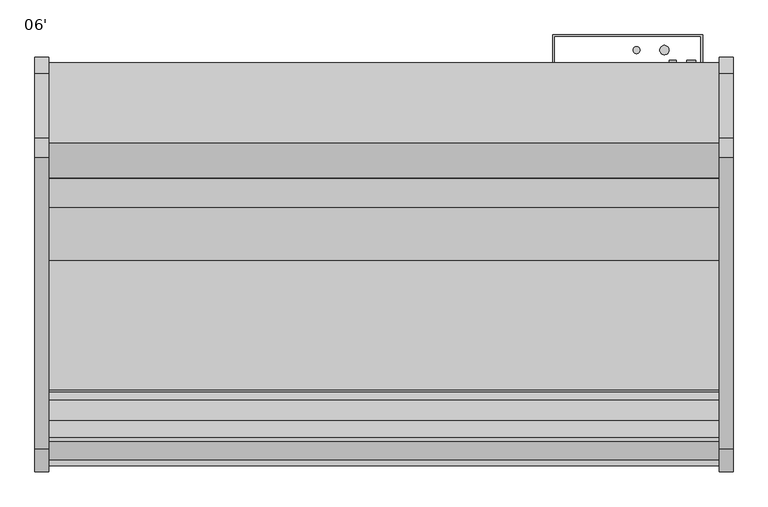
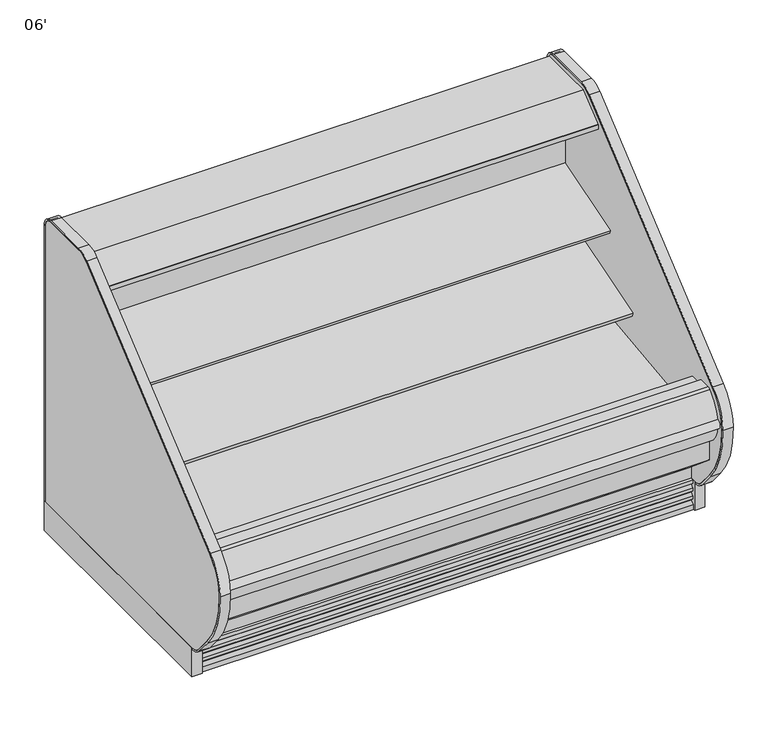
"""IFC4 building model written with IfcOpenShell, lengths in millimetres: proxy geometry, 06'."""

import ifcopenshell
import ifcopenshell.guid

model = None  # the IFC model being written
_history = None  # IfcOwnerHistory: only IFC2X3 demands one
_inside = {}  # id of a spatial element -> (the spatial element, [elements in it])
_under = {}  # id of a project, library or spatial element -> (it, [spatial elements below it])
_declared = {}  # id of a project -> (the project, [libraries it declares])
_typed = {}  # id of a type object -> (the type object, [elements of that type])
_made_of = {}  # id of a material, layer set ... -> (it, [elements and type objects made of it])


def new_model(schema):
    """Start an empty IFC model of exactly this schema.

    Asked for "IFC4X3", IfcOpenShell would pick the latest addendum, in which some entities
    have other attributes; the version numbers below select the first issue.
    IFC2X3 requires an IfcOwnerHistory on every rooted entity: one is made here for all.
    """
    global model, _history
    if schema == "IFC4X3":
        model = ifcopenshell.file(schema_version=(4, 3, 0, 0))
    else:
        model = ifcopenshell.file(schema=schema)
    _inside.clear()
    _under.clear()
    _declared.clear()
    _typed.clear()
    _made_of.clear()
    _history = None
    if model.schema == "IFC2X3":
        org = make("IfcOrganization", Name="unknown")
        user = make(
            "IfcPersonAndOrganization",
            ThePerson=make("IfcPerson", FamilyName="unknown"),
            TheOrganization=org,
        )
        app = make(
            "IfcApplication",
            ApplicationDeveloper=org,
            Version="unknown",
            ApplicationFullName="unknown",
            ApplicationIdentifier="unknown",
        )
        _history = make(
            "IfcOwnerHistory",
            OwningUser=user,
            OwningApplication=app,
            ChangeAction="ADDED",
            CreationDate=0,
        )
    return model


def make(cls, **values):
    """One entity of the class cls with the attributes given. An attribute that is None is left unset."""
    return model.create_entity(
        cls, **{name: value for name, value in values.items() if value is not None}
    )


def rooted(cls, **values):
    """An entity with a GlobalId (a new one), such as an element, a storey or a relation."""
    return make(cls, GlobalId=ifcopenshell.guid.new(), OwnerHistory=_history, **values)


def si_unit(unit_type, name, prefix=None):
    """IfcSIUnit, for example si_unit("LENGTHUNIT", "METRE", prefix="MILLI")."""
    return make("IfcSIUnit", UnitType=unit_type, Prefix=prefix, Name=name)


def assignment(units):
    """IfcUnitAssignment: the units of a project."""
    return None if units is None else make("IfcUnitAssignment", Units=units)


def point(xyz):
    """IfcCartesianPoint."""
    return None if xyz is None else make("IfcCartesianPoint", Coordinates=xyz)


def direction(xyz):
    """IfcDirection."""
    return None if xyz is None else make("IfcDirection", DirectionRatios=xyz)


def frame(location, z_axis=None, x_axis=None):
    """IfcAxis2Placement3D, a coordinate frame: its origin and axes. An axis left out is left unset."""
    return make(
        "IfcAxis2Placement3D",
        Location=point(location),
        Axis=direction(z_axis),
        RefDirection=direction(x_axis),
    )


def frame_2d(location, x_axis=None):
    """IfcAxis2Placement2D, a coordinate frame in the plane: its origin and x axis."""
    return make(
        "IfcAxis2Placement2D", Location=point(location), RefDirection=direction(x_axis)
    )


def origin():
    """The frame at (0, 0, 0) with its axes left unset."""
    return frame((0.0, 0.0, 0.0))


def origin_with_axes():
    """The frame at (0, 0, 0) with the z axis (0, 0, 1) and the x axis (1, 0, 0) written out."""
    return frame((0.0, 0.0, 0.0), z_axis=(0.0, 0.0, 1.0), x_axis=(1.0, 0.0, 0.0))


def place(relative_to, where):
    """IfcLocalPlacement: puts the frame where relative to a parent placement (None: the world)."""
    return make(
        "IfcLocalPlacement", PlacementRelTo=relative_to, RelativePlacement=where
    )


def context(
    kind, dimensions, precision=None, world=None, true_north=None, identifier=None
):
    """IfcGeometricRepresentationContext, for example the 3D "Model" context."""
    return make(
        "IfcGeometricRepresentationContext",
        ContextIdentifier=identifier,
        ContextType=kind,
        CoordinateSpaceDimension=dimensions,
        Precision=precision,
        WorldCoordinateSystem=world,
        TrueNorth=true_north,
    )


def project(units=None, contexts=None):
    """IfcProject with its units and contexts."""
    return rooted(
        "IfcProject",
        Name="project",
        RepresentationContexts=contexts,
        UnitsInContext=assignment(units),
    )


def spatial(cls, under=None, at=None, **own):
    """A site, building, storey or space (cls), placed at a placement, below another one or the project."""
    s = rooted(cls, ObjectPlacement=at, **own)
    if under is not None:
        _under.setdefault(under.id(), (under, []))[1].append(s)
    return s


def polyline(points):
    """IfcPolyline through the points."""
    return make("IfcPolyline", Points=[point(p) for p in points])


def circle_curve(where, radius):
    """IfcCircle in the frame where."""
    return make("IfcCircle", Position=where, Radius=radius)


def trimmed(basis, trim1, trim2, sense, master):
    """IfcTrimmedCurve: the piece of a basis curve between two trims."""
    return make(
        "IfcTrimmedCurve",
        BasisCurve=basis,
        Trim1=trim1,
        Trim2=trim2,
        SenseAgreement=sense,
        MasterRepresentation=master,
    )


def segment(curve, same_sense, transition):
    """IfcCompositeCurveSegment."""
    return make(
        "IfcCompositeCurveSegment",
        Transition=transition,
        SameSense=same_sense,
        ParentCurve=curve,
    )


def composite_curve(segments, self_intersect=None):
    """IfcCompositeCurve: segments joined end to end."""
    return make("IfcCompositeCurve", Segments=segments, SelfIntersect=self_intersect)


def outline(outer, holes=None, kind="AREA"):
    """IfcArbitraryClosedProfileDef: a profile drawn as a closed curve; with holes, ...WithVoids."""
    if holes is None:
        return make("IfcArbitraryClosedProfileDef", ProfileType=kind, OuterCurve=outer)
    return make(
        "IfcArbitraryProfileDefWithVoids",
        ProfileType=kind,
        OuterCurve=outer,
        InnerCurves=holes,
    )


def extrude(swept, where, along, depth):
    """IfcExtrudedAreaSolid: the profile swept, set in the frame where, extruded along a direction by depth."""
    return make(
        "IfcExtrudedAreaSolid",
        SweptArea=swept,
        Position=where,
        ExtrudedDirection=direction(along),
        Depth=depth,
    )


def shape(context_of_items, identifier, shape_type, items):
    """IfcShapeRepresentation: the items that make up one representation, for example the "Body"."""
    return make(
        "IfcShapeRepresentation",
        ContextOfItems=context_of_items,
        RepresentationIdentifier=identifier,
        RepresentationType=shape_type,
        Items=items,
    )


def source(mapping_origin, context_of_items, identifier, shape_type, items):
    """IfcRepresentationMap: a shape defined once, which mapped items show again and again."""
    return make(
        "IfcRepresentationMap",
        MappingOrigin=mapping_origin,
        MappedRepresentation=shape(context_of_items, identifier, shape_type, items),
    )


def transform(
    local_origin,
    x_axis=None,
    y_axis=None,
    z_axis=None,
    scale=None,
    scale2=None,
    scale3=None,
    uniform=True,
):
    """IfcCartesianTransformationOperator3D, or its non-uniform kind. x_axis, y_axis, z_axis: its Axis1, 2, 3."""
    if uniform:
        return make(
            "IfcCartesianTransformationOperator3D",
            Axis1=direction(x_axis),
            Axis2=direction(y_axis),
            LocalOrigin=point(local_origin),
            Scale=scale,
            Axis3=direction(z_axis),
        )
    return make(
        "IfcCartesianTransformationOperator3DnonUniform",
        Axis1=direction(x_axis),
        Axis2=direction(y_axis),
        LocalOrigin=point(local_origin),
        Scale=scale,
        Axis3=direction(z_axis),
        Scale2=scale2,
        Scale3=scale3,
    )


def mapped(mapping_source, mapping_target):
    """IfcMappedItem: shows the shape of a source again, moved by a transform."""
    return make(
        "IfcMappedItem", MappingSource=mapping_source, MappingTarget=mapping_target
    )


def made_of(thing, what):
    """Note that an element or type object is made of a material, layer set ...; save() writes the relation."""
    if what is not None:
        _made_of.setdefault(what.id(), (what, []))[1].append(thing)
    return thing


def element(
    cls,
    number,
    at=None,
    inside=None,
    cuts=None,
    type_object=None,
    material=None,
    context=None,
    identifier="Body",
    shape_type=None,
    held_by="IfcProductDefinitionShape",
    body=None,
    shapes=None,
    **own,
):
    """One element of the class cls, such as IfcWall. Its Tag is "e" and its number.

    at: its placement. inside: the storey or other place that contains it. cuts: it is an
    opening in that element (IfcRelVoidsElement). A single representation is given by context,
    identifier, shape_type and body (its items); several are given by shapes. held_by: the class
    of the entity that holds the representations. save() writes the other relations.
    """
    e = rooted(cls, Tag="e%d" % number, ObjectPlacement=at, **own)
    if body is not None:
        shapes = [shape(context, identifier, shape_type, body)]
    if shapes is not None:
        e.Representation = make(held_by, Representations=shapes)
    if inside is not None:
        _inside.setdefault(inside.id(), (inside, []))[1].append(e)
    if cuts is not None:
        rooted(
            "IfcRelVoidsElement", RelatingBuildingElement=cuts, RelatedOpeningElement=e
        )
    if type_object is not None:
        _typed.setdefault(type_object.id(), (type_object, []))[1].append(e)
    return made_of(e, material)


def aggregate(whole, parts):
    """IfcRelAggregates: a whole, such as a stair, and the parts it consists of."""
    return rooted("IfcRelAggregates", RelatingObject=whole, RelatedObjects=parts)


def save(model, path):
    """Write the relations noted so far, then the file.

    IfcRelAggregates (storeys below a building ...), IfcRelContainedInSpatialStructure (elements
    in a storey), IfcRelDefinesByType, IfcRelAssociatesMaterial and IfcRelDeclares: one each for
    every whole, place, type object, material and project.
    """
    for whole, parts in _under.values():
        aggregate(whole, parts)
    for where, things in _inside.values():
        rooted(
            "IfcRelContainedInSpatialStructure",
            RelatedElements=things,
            RelatingStructure=where,
        )
    for kind, things in _typed.values():
        rooted("IfcRelDefinesByType", RelatedObjects=things, RelatingType=kind)
    for what, things in _made_of.values():
        rooted("IfcRelAssociatesMaterial", RelatedObjects=things, RelatingMaterial=what)
    for by, libraries in _declared.values():
        rooted("IfcRelDeclares", RelatingContext=by, RelatedDefinitions=libraries)
    model.write(path)


def plane_surface(at):
    """IfcPlane: the flat surface through the origin of the frame at, square to its z axis."""
    return make("IfcPlane", Position=at)


def cylinder_surface(at, radius):
    """IfcCylindricalSurface: all points at the distance radius from the z axis of the frame at."""
    return make("IfcCylindricalSurface", Position=at, Radius=radius)


def revolved_surface(curve, axis_point, axis_direction):
    """IfcSurfaceOfRevolution: the curve turned about the line through axis_point along axis_direction."""
    return make(
        "IfcSurfaceOfRevolution",
        SweptCurve=make("IfcArbitraryOpenProfileDef", ProfileType="CURVE", Curve=curve),
        AxisPosition=make("IfcAxis1Placement", Location=point(axis_point), Axis=direction(axis_direction)),
    )


def advanced_brep(points, edges, surfaces, faces):
    """IfcAdvancedBrep: a solid bounded by faces that lie on surfaces and meet in shared edges.

    An edge is (start, end): straight between two places in points (the first is 0);
    or (start, end, curve); or (start, end, curve, False) where it runs against its curve.
    A face is (place in surfaces, loops), or (place, loops, False) where it looks against
    its surface's normal. A loop lists edges by number (the first is 1), with a minus sign
    where the edge is run from its end to its start. The first loop is the outer one.
    """
    corners = [point(p) for p in points]
    vertices = [make("IfcVertexPoint", VertexGeometry=c) for c in corners]
    made = []
    for start, end, *more in edges:
        made.append(
            make(
                "IfcEdgeCurve",
                EdgeStart=vertices[start],
                EdgeEnd=vertices[end],
                EdgeGeometry=more[0] if more else make("IfcPolyline", Points=[corners[start], corners[end]]),
                SameSense=more[1] if len(more) > 1 else True,
            )
        )
    hull = []
    for where, loops, *sense in faces:
        bounds = []
        for j, loop in enumerate(loops):
            ring = [make("IfcOrientedEdge", EdgeElement=made[abs(k) - 1], Orientation=k > 0) for k in loop]
            bounds.append(
                make(
                    "IfcFaceOuterBound" if j == 0 else "IfcFaceBound",
                    Bound=make("IfcEdgeLoop", EdgeList=ring),
                    Orientation=True,
                )
            )
        hull.append(make("IfcAdvancedFace", Bounds=bounds, FaceSurface=surfaces[where], SameSense=sense[0] if sense else True))
    return make("IfcAdvancedBrep", Outer=make("IfcClosedShell", CfsFaces=hull))


def proxy_06_17538bcb(model_context):
    return source(origin(), model_context, "Body", "SolidModel", [
        extrude(outline(composite_curve([segment(trimmed(circle_curve(frame_2d((1581.0252137, -1128.5839273)), 9.525), [point((1571.5002137, -1128.5839273))], [point((1590.5502137, -1128.5839273))], False, "CARTESIAN"), True, "CONTINUOUS"), segment(trimmed(circle_curve(frame_2d((1581.0252137, -1128.5839273)), 9.525), [point((1590.5502137, -1128.5839273))], [point((1571.5002137, -1128.5839273))], False, "CARTESIAN"), True, "CONTINUOUS")], self_intersect=False)), frame((0.0, 0.0, 68.5310382), z_axis=(0.0, 0.0, 1.0), x_axis=(1.0, 0.0, 0.0)), (0.0, 0.0, 1.0), 52.7807458),
        extrude(outline(composite_curve([segment(trimmed(circle_curve(frame_2d((1630.679026, -1128.5839273)), 12.7), [point((1617.979026, -1128.5839273))], [point((1643.379026, -1128.5839273))], False, "CARTESIAN"), True, "CONTINUOUS"), segment(trimmed(circle_curve(frame_2d((1630.679026, -1128.5839273)), 12.7), [point((1643.379026, -1128.5839273))], [point((1617.979026, -1128.5839273))], False, "CARTESIAN"), True, "CONTINUOUS")], self_intersect=False)), frame((0.0, 0.0, 68.5310382), z_axis=(0.0, 0.0, 1.0), x_axis=(1.0, 0.0, 0.0)), (0.0, 0.0, 1.0), 52.7807458),
        extrude(outline(composite_curve([segment(polyline([(-514.5184043, 1137.9230838), (-504.8108903, 1140.9213787), (-504.5441858, 1140.0578752), (-503.4770145, 1140.0578752), (-503.4770145, 1046.2935435), (-528.7722287, 1042.7407473)]), True, "CONTINUOUS"), segment(trimmed(circle_curve(frame_2d((-528.9121117, 1044.3144225)), 1.57988), [point((-528.7722287, 1042.7407473))], [point((-530.4766164, 1044.0945457))], False, "CARTESIAN"), True, "CONTINUOUS"), segment(polyline([(-530.4766164, 1044.0945457), (-531.3614261, 1050.3902938), (-530.5766584, 1050.5005857), (-529.5822638, 1043.4251005), (-506.0015054, 1046.73916), (-520.0975442, 1147.0376871), (-542.8581255, 1144.0153314)]), True, "CONTINUOUS"), segment(trimmed(circle_curve(frame_2d((-542.7544773, 1143.234783)), 0.7874), [point((-542.8581255, 1144.0153314))], [point((-543.5350257, 1143.1311347))], True, "CARTESIAN"), True, "CONTINUOUS"), segment(polyline([(-543.5350257, 1143.1311347), (-542.5119167, 1135.4263646), (-543.2924653, 1135.3227184), (-544.3155741, 1143.0274865)]), True, "CONTINUOUS"), segment(trimmed(circle_curve(frame_2d((-542.7544773, 1143.234783)), 1.5748), [point((-544.3155741, 1143.0274865))], [point((-542.9617738, 1144.7958798))], False, "CARTESIAN"), True, "CONTINUOUS"), segment(polyline([(-542.9617738, 1144.7958798), (-518.9973626, 1147.9780909)]), True, "CONTINUOUS"), segment(trimmed(circle_curve(frame_2d((-518.7900661, 1146.4169941)), 1.5748), [point((-518.9973626, 1147.9780909))], [point((-517.2854014, 1146.8817298))], False, "CARTESIAN"), True, "CONTINUOUS"), segment(polyline([(-517.2854014, 1146.8817298), (-514.5184043, 1137.9230838)]), True, "CONTINUOUS")], self_intersect=False)), frame((0.0, 0.0, 0.0), z_axis=(1.0, 0.0, 0.0), x_axis=(0.0, 1.0, 0.0)), (0.0, 0.0, 1.0), 1828.8),
        extrude(outline(polyline([(-401.5419232, 1219.2), (-401.5419232, 1172.7720648), (-452.3089273, 1172.7720648), (-452.3089273, 1140.0578752), (-504.5441858, 1140.0578752), (-506.6234348, 1146.7898143), (-511.417881, 1145.3089857), (-535.4879211, 1173.9945425), (-642.2562389, 1173.9945425), (-643.0944389, 1173.1563425), (-643.0944389, 1162.0311425), (-643.6525285, 1160.8523324), (-688.2903714, 1124.2763324), (-689.2562818, 1123.9311425), (-700.752905, 1123.9311425), (-700.752905, 1121.9993669), (-715.8339273, 1121.9993669), (-715.8339273, 1140.2683169), (-715.2407658, 1141.5119059), (-619.3039593, 1219.2), (-401.5419232, 1219.2)])), frame((0.0, 0.0, 0.0), z_axis=(1.0, 0.0, 0.0), x_axis=(0.0, 1.0, 0.0)), (0.0, 0.0, 1.0), 1828.8),
        extrude(outline(composite_curve([segment(polyline([(-506.0015054, 1046.73916), (-529.5822638, 1043.4251005), (-530.5766584, 1050.5005857), (-542.5070926, 1135.3900359), (-543.5350257, 1143.1311347)]), True, "CONTINUOUS"), segment(trimmed(circle_curve(frame_2d((-542.7544773, 1143.234783)), 0.7874), [point((-543.5350257, 1143.1311347))], [point((-542.8581255, 1144.0153314))], False, "CARTESIAN"), True, "CONTINUOUS"), segment(polyline([(-542.8581255, 1144.0153314), (-520.0975442, 1147.0376871), (-506.0015054, 1046.73916)]), True, "CONTINUOUS")], self_intersect=False)), frame((0.0, 0.0, 0.0), z_axis=(1.0, 0.0, 0.0), x_axis=(0.0, 1.0, 0.0)), (0.0, 0.0, 1.0), 1828.8),
        extrude(outline(composite_curve([segment(trimmed(circle_curve(frame_2d((-587.0366389, 1151.3155175)), 14.2875), [point((-601.3241389, 1151.3155175))], [point((-572.7491389, 1151.3155175))], False, "CARTESIAN"), True, "CONTINUOUS"), segment(trimmed(circle_curve(frame_2d((-587.0366389, 1151.3155175)), 14.2875), [point((-572.7491389, 1151.3155175))], [point((-601.3241389, 1151.3155175))], False, "CARTESIAN"), True, "CONTINUOUS")], self_intersect=False)), frame((0.0, 0.0, 0.0), z_axis=(1.0, 0.0, 0.0), x_axis=(0.0, 1.0, 0.0)), (0.0, 0.0, 1.0), 1828.8),
        extrude(outline(composite_curve([segment(trimmed(circle_curve(frame_2d((-624.4254389, 1151.3155175)), 14.2875), [point((-638.7129389, 1151.3155175))], [point((-610.1379389, 1151.3155175))], False, "CARTESIAN"), True, "CONTINUOUS"), segment(trimmed(circle_curve(frame_2d((-624.4254389, 1151.3155175)), 14.2875), [point((-610.1379389, 1151.3155175))], [point((-638.7129389, 1151.3155175))], False, "CARTESIAN"), True, "CONTINUOUS")], self_intersect=False)), frame((0.0, 0.0, 0.0), z_axis=(1.0, 0.0, 0.0), x_axis=(0.0, 1.0, 0.0)), (0.0, 0.0, 1.0), 1828.8),
        extrude(outline(polyline([(1778.1852968, -401.5089273), (1778.1852968, -328.4839273), (1378.294795, -328.4839273), (1378.294795, -401.5089273), (1374.3108738, -401.5089273), (1374.3108738, -325.3089273), (1784.35, -325.3089273), (1784.35, -401.5089273), (1778.1852968, -401.5089273)])), frame((0.0, 0.0, 183.281282), z_axis=(0.0, 0.0, 1.0), x_axis=(1.0, 0.0, 0.0)), (0.0, 0.0, 1.0), 925.9383854),
        advanced_brep(
        [(0.0, -401.5089273, 1172.7720648), (0.0, -401.5089273, 130.175), (0.0, -1280.7758002, 130.175), (0.0, -1430.5207837, 255.8259604), (0.0, -1430.5207837, 390.4771975), (0.0, -1379.5124455, 390.4771975), (0.0, -1379.5124455, 334.3739209), (0.0, -1221.964683, 189.2843753), (0.0, -1163.9200968, 157.108203), (0.0, -1097.1040899, 157.108203), (0.0, -1043.9921866, 195.6902403), (0.0, -599.382701, 211.674682), (0.0, -452.3089273, 350.7638053), (0.0, -452.3089273, 1172.7720648), (1828.8, -401.5089273, 1172.7720648), (1828.8, -452.3089273, 1172.7720648), (1828.8, -452.3089273, 350.7638053), (1828.8, -599.382701, 211.674682), (1828.8, -1043.9921866, 195.6902403), (1828.8, -1097.1040899, 157.108203), (1828.8, -1163.9200968, 157.108203), (1828.8, -1221.964683, 189.2843753), (1828.8, -1379.5124455, 334.3739209), (1828.8, -1379.5124455, 390.4771975), (1828.8, -1430.5207837, 390.4771975), (1828.8, -1430.5207837, 255.8259604), (1828.8, -1280.7758002, 130.175), (1828.8, -401.5089273, 130.175), (1727.2, -401.5089273, 417.7254285), (1727.2, -401.5089273, 316.1254285), (1727.2, -446.7209273, 316.1254285), (1727.2, -446.7209273, 417.7254285)],
        [
            (0, 1),
            (1, 2),
            (2, 3),
            (3, 4),
            (4, 5),
            (5, 6),
            (6, 7, circle_curve(frame((0.0, -1227.2834533, 341.5915343), z_axis=(1.0, 0.0, 0.0), x_axis=(0.0, 1.0, 0.0)), 152.4)),
            (7, 8),
            (8, 9),
            (9, 10),
            (10, 11),
            (11, 12, circle_curve(frame((0.0, -604.8944357, 364.8057873), z_axis=(1.0, 0.0, 0.0), x_axis=(0.0, 1.0, 0.0)), 153.2302667)),
            (12, 13),
            (13, 0),
            (14, 15),
            (15, 16),
            (16, 17, circle_curve(frame((1828.8, -604.8944357, 364.8057873), z_axis=(-1.0, 0.0, 0.0), x_axis=(0.0, 1.0, 0.0)), 153.2302667)),
            (17, 18),
            (18, 19),
            (19, 20),
            (20, 21),
            (21, 22, circle_curve(frame((1828.8, -1227.2834533, 341.5915343), z_axis=(-1.0, 0.0, 0.0), x_axis=(0.0, 1.0, 0.0)), 152.4)),
            (22, 23),
            (23, 24),
            (24, 25),
            (25, 26),
            (26, 27),
            (27, 14),
            (13, 15),
            (14, 0),
            (12, 16),
            (5, 23),
            (22, 6),
            (4, 24),
            (3, 25),
            (2, 26),
            (1, 27),
            (28, 29, circle_curve(frame((1727.2, -401.5089273, 366.9254285), z_axis=(0.0, -1.0, 0.0), x_axis=(0.0, 0.0, 1.0)), 50.8)),
            (29, 28, circle_curve(frame((1727.2, -401.5089273, 366.9254285), z_axis=(0.0, -1.0, 0.0), x_axis=(0.0, 0.0, 1.0)), 50.8)),
            (11, 17),
            (10, 18),
            (9, 19),
            (8, 20),
            (7, 21),
            (30, 31, circle_curve(frame((1727.2, -446.7209273, 366.9254285), z_axis=(0.0, 1.0, 0.0), x_axis=(0.0, 0.0, 1.0)), 50.8)),
            (31, 30, circle_curve(frame((1727.2, -446.7209273, 366.9254285), z_axis=(0.0, 1.0, 0.0), x_axis=(0.0, 0.0, 1.0)), 50.8)),
            (30, 29),
            (28, 31),
        ],
        [
            plane_surface(frame((0.0, -452.3089273, 1172.7720648), z_axis=(-1.0, 0.0, 0.0), x_axis=(0.0, 1.0, 0.0))),
            plane_surface(frame((1828.8, -452.3089273, 1172.7720648), z_axis=(1.0, 0.0, 0.0), x_axis=(0.0, -1.0, 0.0))),
            plane_surface(frame((1828.8, -401.5089273, 1172.7720648), z_axis=(0.0, 0.0, 1.0), x_axis=(-1.0, 0.0, 0.0))),
            plane_surface(frame((1828.8, -452.3089273, 1172.7720648), z_axis=(0.0, -1.0, 0.0), x_axis=(-1.0, 0.0, 0.0))),
            plane_surface(frame((1828.8, -1379.5124455, 334.3739209), z_axis=(0.0, 1.0, 0.0), x_axis=(-1.0, 0.0, 0.0))),
            plane_surface(frame((1828.8, -1379.5124455, 390.4771975), z_axis=(0.0, 0.0, 1.0), x_axis=(-1.0, 0.0, 0.0))),
            plane_surface(frame((1828.8, -1430.5207837, 390.4771975), z_axis=(0.0, -1.0, 0.0), x_axis=(-1.0, 0.0, 0.0))),
            plane_surface(frame((1828.8, -1430.5207837, 255.8259604), z_axis=(0.0, -0.6427876096870797, -0.7660444431185247), x_axis=(-1.0, 0.0, 0.0))),
            plane_surface(frame((1828.8, -1280.7758002, 130.175), z_axis=(0.0, 0.0, -1.0), x_axis=(-1.0, 0.0, 0.0))),
            plane_surface(frame((1828.8, -401.5089273, 130.175), z_axis=(0.0, 1.0, 0.0), x_axis=(-1.0, 0.0, 0.0))),
            revolved_surface(polyline([(0.0, -451.664169, 364.8057873), (1828.8, -451.664169, 364.8057873)]), (0.0, -604.8944357, 364.8057873), (-1.0, 0.0, 0.0)),
            plane_surface(frame((1828.8, -599.382701, 211.674682), z_axis=(0.0, -0.03592843195619589, 0.9993543654666092), x_axis=(-1.0, 0.0, 0.0))),
            plane_surface(frame((1828.8, -1043.9921866, 195.6902403), z_axis=(0.0, -0.5877252382161418, 0.8090605937528904), x_axis=(-1.0, 0.0, 0.0))),
            plane_surface(frame((1828.8, -1097.1040899, 157.108203), z_axis=(0.0, 0.0, 1.0), x_axis=(-1.0, 0.0, 0.0))),
            plane_surface(frame((1828.8, -1163.9200968, 157.108203), z_axis=(0.0, 0.4848272875913505, 0.8746099137368694), x_axis=(-1.0, 0.0, 0.0))),
            revolved_surface(polyline([(0.0, -1074.8834533, 341.5915343), (1828.8, -1074.8834533, 341.5915343)]), (0.0, -1227.2834533, 341.5915343), (-1.0, 0.0, 0.0)),
            plane_surface(frame((1727.2, -446.7209273, 417.7254285), z_axis=(0.0, 1.0, 0.0), x_axis=(-1.0, 0.0, 0.0))),
            revolved_surface(polyline([(1727.2, -401.5089273, 417.7254285), (1727.2, -446.7209273, 417.7254285)]), (1727.2, -446.7209273, 366.9254285), (0.0, 1.0, 0.0)),
        ],
        [
            (0, [[1, 2, 3, 4, 5, 6, 7, 8, 9, 10, 11, 12, 13, 14]]),
            (1, [[15, 16, 17, 18, 19, 20, 21, 22, 23, 24, 25, 26, 27, 28]]),
            (2, [[-14, 29, -15, 30]]),
            (3, [[-13, 31, -16, -29]]),
            (4, [[-6, 32, -23, 33]]),
            (5, [[-5, 34, -24, -32]]),
            (6, [[-4, 35, -25, -34]]),
            (7, [[-3, 36, -26, -35]]),
            (8, [[-2, 37, -27, -36]]),
            (9, [[-1, -30, -28, -37], [38, 39]]),
            (10, [[-12, 40, -17, -31]]),
            (11, [[-11, 41, -18, -40]]),
            (12, [[-10, 42, -19, -41]]),
            (13, [[-9, 43, -20, -42]]),
            (14, [[-8, 44, -21, -43]]),
            (15, [[-7, -33, -22, -44]]),
            (16, [[45, 46]]),
            (17, [[-45, 47, -38, 48]]),
            (17, [[-46, -48, -39, -47]]),
        ],
    ),
        extrude(outline(composite_curve([segment(polyline([(-503.4770145, 861.6565177), (-503.4770145, 783.44874), (-520.8520366, 777.8119162)]), True, "CONTINUOUS"), segment(trimmed(circle_curve(frame_2d((-528.6901714, 801.9722896)), 25.4), [point((-520.8520366, 777.8119162))], [point((-538.1963728, 778.4182637))], False, "CARTESIAN"), True, "CONTINUOUS"), segment(polyline([(-538.1963728, 778.4182637), (-559.4917707, 787.0129023)]), True, "CONTINUOUS"), segment(trimmed(circle_curve(frame_2d((-583.257274, 728.1278376)), 63.5), [point((-559.4917707, 787.0129023))], [point((-594.1259367, 790.6907832))], True, "CARTESIAN"), True, "CONTINUOUS"), segment(polyline([(-594.1259367, 790.6907832), (-731.8940366, 773.3507494), (-734.3236807, 776.2056896), (-790.800009, 758.9391433), (-794.9587042, 772.5416221), (-503.4770145, 861.6565177)]), True, "CONTINUOUS")], self_intersect=False)), frame((0.0, 0.0, 0.0), z_axis=(1.0, 0.0, 0.0), x_axis=(0.0, 1.0, 0.0)), (0.0, 0.0, 1.0), 1828.8),
        extrude(outline(composite_curve([segment(polyline([(-503.4770145, 591.8191637), (-522.1893768, 585.7484786)]), True, "CONTINUOUS"), segment(trimmed(circle_curve(frame_2d((-530.0275116, 609.908852)), 25.4), [point((-522.1893768, 585.7484786))], [point((-539.533713, 586.3548261))], False, "CARTESIAN"), True, "CONTINUOUS"), segment(polyline([(-539.533713, 586.3548261), (-560.8291108, 594.9494647)]), True, "CONTINUOUS"), segment(trimmed(circle_curve(frame_2d((-584.5946142, 536.0644)), 63.5), [point((-560.8291108, 594.9494647))], [point((-595.4632769, 598.6273456))], True, "CARTESIAN"), True, "CONTINUOUS"), segment(polyline([(-595.4632769, 598.6273456), (-783.1797893, 566.0165496), (-785.6094334, 568.8714898), (-936.5408538, 522.7271238), (-940.699549, 536.3296027), (-503.4770145, 670.0019461), (-503.4770145, 591.8191637)]), True, "CONTINUOUS")], self_intersect=False)), frame((0.0, 0.0, 0.0), z_axis=(1.0, 0.0, 0.0), x_axis=(0.0, 1.0, 0.0)), (0.0, 0.0, 1.0), 1828.8),
        extrude(outline(composite_curve([segment(trimmed(circle_curve(frame_2d((-1482.5436564, 431.7775332)), 17.7832634), [point((-1486.5018278, 414.4403669))], [point((-1485.8670799, 449.2474878))], False, "CARTESIAN"), True, "CONTINUOUS"), segment(trimmed(circle_curve(frame_2d((-1314.6679362, 401.3886708)), 177.7628003), [point((-1485.8670799, 449.2474878))], [point((-1488.2158442, 439.8690139))], True, "CARTESIAN"), True, "CONTINUOUS"), segment(trimmed(circle_curve(frame_2d((-1361.2858552, 435.6526323)), 126.9999999), [point((-1488.2158442, 439.8690139))], [point((-1486.5018278, 414.4403669))], True, "CARTESIAN"), True, "CONTINUOUS")], self_intersect=False)), frame((0.0, 0.0, 0.0), z_axis=(1.0, 0.0, 0.0), x_axis=(0.0, 1.0, 0.0)), (0.0, 0.0, 1.0), 1828.8),
        extrude(outline(composite_curve([segment(polyline([(-1430.5207837, 390.4771975), (-1430.5207837, 349.191578), (-1455.8537478, 349.191578)]), True, "CONTINUOUS"), segment(trimmed(circle_curve(frame_2d((-1360.3674523, 434.1532094)), 127.8127984), [point((-1455.8537478, 349.191578))], [point((-1488.0175216, 440.6007866))], False, "CARTESIAN"), True, "CONTINUOUS"), segment(trimmed(circle_curve(frame_2d((-1312.8856615, 403.1660664)), 179.0880417), [point((-1488.0175216, 440.6007866))], [point((-1434.0757284, 535.020131))], False, "CARTESIAN"), True, "CONTINUOUS"), segment(trimmed(circle_curve(frame_2d((-1421.997786, 522.055071)), 17.7191838), [point((-1434.0757284, 535.020131))], [point((-1422.9245877, 539.75))], False, "CARTESIAN"), True, "CONTINUOUS"), segment(polyline([(-1422.9245877, 539.75), (-1377.3315877, 539.75), (-1377.3315877, 520.4426474), (-1379.5124455, 520.4426474), (-1379.5124455, 390.4771975), (-1430.5207837, 390.4771975)]), True, "CONTINUOUS")], self_intersect=False)), frame((0.0, 0.0, 0.0), z_axis=(1.0, 0.0, 0.0), x_axis=(0.0, 1.0, 0.0)), (0.0, 0.0, 1.0), 1828.8),
        extrude(outline(composite_curve([segment(polyline([(-1305.8908654, 151.2490419), (-1305.8908654, 0.0), (-1329.0357106, 0.0), (-1329.0357106, 19.9045671)]), True, "CONTINUOUS"), segment(trimmed(circle_curve(frame_2d((-1328.499887, 33.5999438)), 13.7058546), [point((-1329.0357106, 19.9045671))], [point((-1315.4179076, 29.51188))], True, "CARTESIAN"), True, "CONTINUOUS"), segment(polyline([(-1315.4179076, 29.51188), (-1311.9288106, 40.67714), (-1322.5660058, 38.5193172), (-1324.5599058, 38.5193172), (-1324.5599058, 51.2193172)]), True, "CONTINUOUS"), segment(trimmed(circle_curve(frame_2d((-1328.9777736, 64.7214645)), 14.2065314), [point((-1324.5599058, 51.2193172))], [point((-1315.4179076, 60.4840631))], True, "CARTESIAN"), True, "CONTINUOUS"), segment(polyline([(-1315.4179076, 60.4840631), (-1311.9288106, 71.6493231), (-1322.5660058, 69.4915004), (-1324.5599058, 69.4915004), (-1324.5599058, 82.1915004)]), True, "CONTINUOUS"), segment(trimmed(circle_curve(frame_2d((-1329.0501489, 95.765064)), 14.2969897), [point((-1324.5599058, 82.1915004))], [point((-1315.4179076, 91.4562462))], True, "CARTESIAN"), True, "CONTINUOUS"), segment(polyline([(-1315.4179076, 91.4562462), (-1311.9288106, 102.4950543), (-1322.5660058, 100.4638704), (-1324.5599058, 100.4638704), (-1324.5599058, 113.1638704)]), True, "CONTINUOUS"), segment(trimmed(circle_curve(frame_2d((-1323.9621412, 124.1285303)), 10.9809422), [point((-1324.5599058, 113.1638704))], [point((-1316.1764071, 116.3849243))], True, "CARTESIAN"), True, "CONTINUOUS"), segment(polyline([(-1316.1764071, 116.3849243), (-1316.1764071, 159.8796362), (-1305.8908654, 151.2490419)]), True, "CONTINUOUS")], self_intersect=False)), frame((0.0, 0.0, 0.0), z_axis=(1.0, 0.0, 0.0), x_axis=(0.0, 1.0, 0.0)), (0.0, 0.0, 1.0), 1828.8),
        extrude(outline(composite_curve([segment(trimmed(circle_curve(frame_2d((1603.375, -366.5839273)), 9.525), [point((1593.85, -366.5839273))], [point((1612.9, -366.5839273))], False, "CARTESIAN"), True, "CONTINUOUS"), segment(trimmed(circle_curve(frame_2d((1603.375, -366.5839273)), 9.525), [point((1612.9, -366.5839273))], [point((1593.85, -366.5839273))], False, "CARTESIAN"), True, "CONTINUOUS")], self_intersect=False)), frame((0.0, 0.0, 794.9666444), z_axis=(0.0, 0.0, 1.0), x_axis=(1.0, 0.0, 0.0)), (0.0, 0.0, 1.0), 340.5657556),
        extrude(outline(composite_curve([segment(trimmed(circle_curve(frame_2d((1679.575, -366.5839273)), 12.7), [point((1666.875, -366.5839273))], [point((1692.275, -366.5839273))], False, "CARTESIAN"), True, "CONTINUOUS"), segment(trimmed(circle_curve(frame_2d((1679.575, -366.5839273)), 12.7), [point((1692.275, -366.5839273))], [point((1666.875, -366.5839273))], False, "CARTESIAN"), True, "CONTINUOUS")], self_intersect=False)), frame((0.0, 0.0, 794.9666444), z_axis=(0.0, 0.0, 1.0), x_axis=(1.0, 0.0, 0.0)), (0.0, 0.0, 1.0), 340.5657556),
        extrude(outline(composite_curve([segment(trimmed(circle_curve(frame_2d((368.3, 1752.6)), 12.7), [point((368.3, 1765.3))], [point((368.3, 1739.9))], False, "CARTESIAN"), True, "CONTINUOUS"), segment(trimmed(circle_curve(frame_2d((368.3, 1752.6)), 12.7), [point((368.3, 1739.9))], [point((368.3, 1765.3))], False, "CARTESIAN"), True, "CONTINUOUS")], self_intersect=False)), frame((0.0, -446.7209273, 0.0), z_axis=(0.0, 1.0, 0.0), x_axis=(0.0, 0.0, 1.0)), (0.0, 0.0, 1.0), 52.8518438),
        extrude(outline(composite_curve([segment(trimmed(circle_curve(frame_2d((368.3, 1701.8)), 9.525), [point((368.3, 1711.325))], [point((368.3, 1692.275))], False, "CARTESIAN"), True, "CONTINUOUS"), segment(trimmed(circle_curve(frame_2d((368.3, 1701.8)), 9.525), [point((368.3, 1692.275))], [point((368.3, 1711.325))], False, "CARTESIAN"), True, "CONTINUOUS")], self_intersect=False)), frame((0.0, -446.7209273, 0.0), z_axis=(0.0, 1.0, 0.0), x_axis=(0.0, 0.0, 1.0)), (0.0, 0.0, 1.0), 52.8518438),
        extrude(outline(composite_curve([segment(trimmed(circle_curve(frame_2d((914.4, -1125.4089273)), 38.1), [point((876.3, -1125.4089273))], [point((952.5, -1125.4089273))], False, "CARTESIAN"), True, "CONTINUOUS"), segment(trimmed(circle_curve(frame_2d((914.4, -1125.4089273)), 38.1), [point((952.5, -1125.4089273))], [point((876.3, -1125.4089273))], False, "CARTESIAN"), True, "CONTINUOUS")], self_intersect=False)), frame((0.0, 0.0, 68.5310382), z_axis=(0.0, 0.0, 1.0), x_axis=(1.0, 0.0, 0.0)), (0.0, 0.0, 1.0), 52.7807458),
        extrude(outline(polyline([(-1207.4658654, 16.9113003), (-1305.8908654, 16.9113003), (-1305.8908654, 151.2490419), (-1280.7758002, 130.175), (-1207.4658654, 130.175), (-1207.4658654, 16.9113003)])), frame((0.0, 0.0, 0.0), z_axis=(1.0, 0.0, 0.0), x_axis=(0.0, 1.0, 0.0)), (0.0, 0.0, 1.0), 1828.8),
        advanced_brep(
        [(0.0, -402.2033041, 130.0758033), (0.0, -402.2033041, -0.0991967), (0.0, -447.4153041, -0.0991967), (0.0, -447.4153041, 74.7818415), (0.0, -1161.2418973, 74.7818415), (0.0, -1161.2418973, -0.0991967), (0.0, -1207.4682506, -0.0991967), (0.0, -1207.4682506, 130.0758033), (1828.8, -402.2033041, 130.0758033), (1828.8, -1207.4682506, 130.0758033), (1828.8, -1207.4682506, -0.0991967), (1828.8, -1161.2418973, -0.0991967), (1828.8, -1161.2418973, 74.7818415), (1828.8, -447.4153041, 74.7818415), (1828.8, -447.4153041, -0.0991967), (1828.8, -402.2033041, -0.0991967), (878.3911364, -1161.2418973, -0.0991967), (950.4088636, -1161.2418973, -0.0991967), (1567.6386007, -1161.2418973, -0.0991967), (1645.4613993, -1161.2418973, -0.0991967), (878.3911364, -1161.2418973, 74.7818415), (1645.4613993, -1161.2418973, 74.7818415), (950.4088636, -1161.2418973, 74.7818415), (1567.6386007, -1161.2418973, 74.7818415), (1657.35, -1128.5839273, 74.7818415), (1555.75, -1128.5839273, 74.7818415), (965.2, -1125.4089273, 74.7818415), (863.6, -1125.4089273, 74.7818415), (863.6, -1125.4089273, 121.311784), (965.2, -1125.4089273, 121.311784), (1555.75, -1128.5839273, 121.311784), (1657.35, -1128.5839273, 121.311784)],
        [
            (0, 1),
            (1, 2),
            (2, 3),
            (3, 4),
            (4, 5),
            (5, 6),
            (6, 7),
            (7, 0),
            (8, 9),
            (9, 10),
            (10, 11),
            (11, 12),
            (12, 13),
            (13, 14),
            (14, 15),
            (15, 8),
            (7, 9),
            (8, 0),
            (6, 10),
            (5, 16),
            (16, 17, circle_curve(frame((914.4, -1125.4089273, -0.0991967), z_axis=(0.0, 0.0, 1.0), x_axis=(1.0, 0.0, 0.0)), 50.8)),
            (17, 18),
            (18, 19, circle_curve(frame((1606.55, -1128.5839273, -0.0991967), z_axis=(0.0, 0.0, 1.0), x_axis=(1.0, 0.0, 0.0)), 50.8)),
            (19, 11),
            (4, 20),
            (20, 16),
            (19, 21),
            (21, 12),
            (17, 22),
            (22, 23),
            (23, 18),
            (3, 13),
            (21, 24, circle_curve(frame((1606.55, -1128.5839273, 74.7818415), z_axis=(0.0, 0.0, 1.0), x_axis=(1.0, 0.0, 0.0)), 50.8)),
            (24, 25, circle_curve(frame((1606.55, -1128.5839273, 74.7818415), z_axis=(0.0, 0.0, 1.0), x_axis=(1.0, 0.0, 0.0)), 50.8)),
            (25, 23, circle_curve(frame((1606.55, -1128.5839273, 74.7818415), z_axis=(0.0, 0.0, 1.0), x_axis=(1.0, 0.0, 0.0)), 50.8)),
            (22, 26, circle_curve(frame((914.4, -1125.4089273, 74.7818415), z_axis=(0.0, 0.0, 1.0), x_axis=(1.0, 0.0, 0.0)), 50.8)),
            (26, 27, circle_curve(frame((914.4, -1125.4089273, 74.7818415), z_axis=(0.0, 0.0, 1.0), x_axis=(1.0, 0.0, 0.0)), 50.8)),
            (27, 20, circle_curve(frame((914.4, -1125.4089273, 74.7818415), z_axis=(0.0, 0.0, 1.0), x_axis=(1.0, 0.0, 0.0)), 50.8)),
            (2, 14),
            (1, 15),
            (28, 29, circle_curve(frame((914.4, -1125.4089273, 121.311784), z_axis=(0.0, 0.0, -1.0), x_axis=(1.0, 0.0, 0.0)), 50.8)),
            (29, 28, circle_curve(frame((914.4, -1125.4089273, 121.311784), z_axis=(0.0, 0.0, -1.0), x_axis=(1.0, 0.0, 0.0)), 50.8)),
            (29, 26),
            (27, 28),
            (30, 31, circle_curve(frame((1606.55, -1128.5839273, 121.311784), z_axis=(0.0, 0.0, -1.0), x_axis=(1.0, 0.0, 0.0)), 50.8)),
            (31, 30, circle_curve(frame((1606.55, -1128.5839273, 121.311784), z_axis=(0.0, 0.0, -1.0), x_axis=(1.0, 0.0, 0.0)), 50.8)),
            (31, 24),
            (25, 30),
        ],
        [
            plane_surface(frame((0.0, -1206.5727421, 130.0758033), z_axis=(-1.0, 0.0, 0.0), x_axis=(0.0, 1.0, 0.0))),
            plane_surface(frame((1828.8, -1206.5727421, 130.0758033), z_axis=(1.0, 0.0, 0.0), x_axis=(0.0, -1.0, 0.0))),
            plane_surface(frame((1828.8, -402.2033041, 130.0758033), z_axis=(0.0, 0.0, 1.0), x_axis=(-1.0, 0.0, 0.0))),
            plane_surface(frame((1828.8, -1207.4682506, 130.0758033), z_axis=(0.0, -1.0, 0.0), x_axis=(-1.0, 0.0, 0.0))),
            plane_surface(frame((1828.8, -1207.4682506, -0.0991967), z_axis=(0.0, 0.0, -1.0), x_axis=(-1.0, 0.0, 0.0))),
            plane_surface(frame((1828.8, -1161.2418973, -0.0991967), z_axis=(0.0, 1.0, 0.0), x_axis=(-1.0, 0.0, 0.0))),
            plane_surface(frame((1828.8, -1161.2418973, 74.7818415), z_axis=(0.0, 0.0, -1.0), x_axis=(-1.0, 0.0, 0.0))),
            plane_surface(frame((1828.8, -447.4153041, 74.7818415), z_axis=(0.0, -1.0, 0.0), x_axis=(-1.0, 0.0, 0.0))),
            plane_surface(frame((1828.8, -447.4153041, -0.0991967), z_axis=(0.0, 0.0, -1.0), x_axis=(-1.0, 0.0, 0.0))),
            plane_surface(frame((1828.8, -402.2033041, -0.0991967), z_axis=(0.0, 1.0, 0.0), x_axis=(-1.0, 0.0, 0.0))),
            plane_surface(frame((965.2, -1125.4089273, 121.311784), z_axis=(0.0, 0.0, -1.0), x_axis=(0.0, 1.0, 0.0))),
            revolved_surface(polyline([(965.1999999999999, -1125.4089273, 121.311784), (965.1999999999999, -1125.4089273, -0.0991967)]), (914.4, -1125.4089273, 0.0), (0.0, 0.0, 1.0)),
            revolved_surface(polyline([(965.1999999999999, -1125.4089273, 121.311784), (965.1999999999999, -1125.4089273, 74.7818415)]), (914.4, -1125.4089273, 0.0), (0.0, 0.0, 1.0)),
            plane_surface(frame((1657.35, -1128.5839273, 121.311784), z_axis=(0.0, 0.0, -1.0), x_axis=(0.0, 1.0, 0.0))),
            revolved_surface(polyline([(1657.35, -1128.5839273, 121.311784), (1657.35, -1128.5839273, -0.0991967)]), (1606.55, -1128.5839273, 0.0), (0.0, 0.0, 1.0)),
            revolved_surface(polyline([(1657.35, -1128.5839273, 121.311784), (1657.35, -1128.5839273, 74.7818415)]), (1606.55, -1128.5839273, 0.0), (0.0, 0.0, 1.0)),
        ],
        [
            (0, [[1, 2, 3, 4, 5, 6, 7, 8]]),
            (1, [[9, 10, 11, 12, 13, 14, 15, 16]]),
            (2, [[-8, 17, -9, 18]]),
            (3, [[-7, 19, -10, -17]]),
            (4, [[-6, 20, 21, 22, 23, 24, -11, -19]]),
            (5, [[-5, 25, 26, -20]]),
            (5, [[-12, -24, 27, 28]]),
            (5, [[29, 30, 31, -22]]),
            (6, [[-4, 32, -13, -28, 33, 34, 35, -30, 36, 37, 38, -25]]),
            (7, [[-3, 39, -14, -32]]),
            (8, [[-2, 40, -15, -39]]),
            (9, [[-1, -18, -16, -40]]),
            (10, [[41, 42]]),
            (11, [[-42, 43, -36, -29, -21, -26, -38, 44]]),
            (12, [[-41, -44, -37, -43]]),
            (13, [[45, 46]]),
            (14, [[-46, 47, -33, -27, -23, -31, -35, 48]]),
            (15, [[-45, -48, -34, -47]]),
        ],
    ),
        extrude(outline(polyline([(688.975, -695.7578022), (688.975, -1117.5324221), (180.975, -1117.5324221), (180.975, -695.7578022), (688.975, -695.7578022)])), frame((0.0, 0.0, 68.5310382), z_axis=(0.0, 0.0, 1.0), x_axis=(1.0, 0.0, 0.0)), (0.0, 0.0, 1.0), 6.35),
        extrude(outline(polyline([(1828.8, -452.3089273), (1828.8, -503.4770145), (0.0, -503.4770145), (0.0, -452.3089273), (1828.8, -452.3089273)])), frame((0.0, 0.0, 415.8429537), z_axis=(0.0, 0.0, 1.0), x_axis=(1.0, 0.0, 0.0)), (0.0, 0.0, 1.0), 724.2149215),
        advanced_brep(
        [(0.0, -503.4770145, 415.8429537), (0.0, -452.3089273, 415.8429537), (0.0, -452.3089273, 350.7638053), (0.0, -599.382701, 211.674682), (0.0, -1043.4743285, 195.6902403), (0.0, -1096.5862318, 157.108203), (0.0, -1163.4022387, 157.108203), (0.0, -1221.4788318, 189.3021178), (0.0, -1379.5124455, 334.3739209), (0.0, -1379.5124455, 520.4426474), (0.0, -1322.6270145, 520.4426474), (0.0, -1322.6270145, 372.3098474), (0.0, -1298.2271496, 372.3098474), (0.0, -1292.7855784, 374.2514867), (0.0, -599.3661067, 457.3237105), (0.0, -599.0019346, 452.1158065), (0.0, -516.37749, 457.8934705), (0.0, -503.4770145, 470.7939459), (1828.8, -503.4770145, 415.8429537), (1828.8, -503.4770145, 470.7939459), (1828.8, -516.37749, 457.8934705), (1828.8, -599.0019346, 452.1158065), (1828.8, -599.3661067, 457.3237105), (1828.8, -1292.7855784, 374.2514867), (1828.8, -1298.2271496, 372.3098474), (1828.8, -1322.6270145, 372.3098474), (1828.8, -1322.6270145, 520.4426474), (1828.8, -1379.5124455, 520.4426474), (1828.8, -1379.5124455, 334.3739209), (1828.8, -1221.4788318, 189.3021178), (1828.8, -1163.4022387, 157.108203), (1828.8, -1096.5862318, 157.108203), (1828.8, -1043.4743285, 195.6902403), (1828.8, -599.382701, 211.674682), (1828.8, -452.3089273, 350.7638053), (1828.8, -452.3089273, 415.8429537)],
        [
            (0, 1),
            (1, 2),
            (2, 3, circle_curve(frame((0.0, -604.8944357, 364.8057873), z_axis=(-1.0, 0.0, 0.0), x_axis=(0.0, 1.0, 0.0)), 153.2302667)),
            (3, 4),
            (4, 5),
            (5, 6),
            (6, 7),
            (7, 8, circle_curve(frame((0.0, -1227.2834533, 341.5915343), z_axis=(-1.0, 0.0, 0.0), x_axis=(0.0, 1.0, 0.0)), 152.4)),
            (8, 9),
            (9, 10),
            (10, 11),
            (11, 12),
            (12, 13),
            (13, 14),
            (14, 15),
            (15, 16),
            (16, 17, circle_curve(frame((0.0, -516.37749, 470.7939459), z_axis=(1.0, 0.0, 0.0), x_axis=(0.0, 1.0, 0.0)), 12.9004754)),
            (17, 0),
            (18, 19),
            (19, 20, circle_curve(frame((1828.8, -516.37749, 470.7939459), z_axis=(-1.0, 0.0, 0.0), x_axis=(0.0, 1.0, 0.0)), 12.9004754)),
            (20, 21),
            (21, 22),
            (22, 23),
            (23, 24),
            (24, 25),
            (25, 26),
            (26, 27),
            (27, 28),
            (28, 29, circle_curve(frame((1828.8, -1227.2834533, 341.5915343), z_axis=(1.0, 0.0, 0.0), x_axis=(0.0, 1.0, 0.0)), 152.4)),
            (29, 30),
            (30, 31),
            (31, 32),
            (32, 33),
            (33, 34, circle_curve(frame((1828.8, -604.8944357, 364.8057873), z_axis=(1.0, 0.0, 0.0), x_axis=(0.0, 1.0, 0.0)), 153.2302667)),
            (34, 35),
            (35, 18),
            (34, 2),
            (1, 35),
            (0, 18),
            (17, 19),
            (16, 20),
            (15, 21),
            (14, 22),
            (29, 7),
            (6, 30),
            (5, 31),
            (4, 32),
            (3, 33),
            (13, 23),
            (12, 24),
            (11, 25),
            (10, 26),
            (9, 27),
            (8, 28),
        ],
        [
            plane_surface(frame((0.0, -503.4770145, 1092.9956953), z_axis=(-1.0, 0.0, 0.0), x_axis=(0.0, 0.0, -1.0))),
            plane_surface(frame((1828.8, -503.4770145, 1092.9956953), z_axis=(1.0, 0.0, 0.0), x_axis=(0.0, 0.0, 1.0))),
            plane_surface(frame((1828.8, -452.3089273, 350.7638053), z_axis=(0.0, 1.0, 0.0), x_axis=(-1.0, 0.0, 0.0))),
            plane_surface(frame((1828.8, -452.3089273, 415.8429537), z_axis=(0.0, 0.0, 1.0), x_axis=(-1.0, 0.0, 0.0))),
            plane_surface(frame((1828.8, -503.4770145, 415.8429537), z_axis=(0.0, 1.0, 0.0), x_axis=(-1.0, 0.0, 0.0))),
            revolved_surface(polyline([(0.0, -503.47701459999996, 470.7939459), (1828.8, -503.47701459999996, 470.7939459)]), (0.0, -516.37749, 470.7939459), (-1.0, 0.0, 0.0)),
            plane_surface(frame((1828.8, -516.37749, 457.8934705), z_axis=(0.0, -0.06975647369772905, 0.9975640502630686), x_axis=(-1.0, 0.0, 0.0))),
            plane_surface(frame((1828.8, -599.0019346, 452.1158065), z_axis=(0.0, 0.9975640502630934, 0.06975647369737496), x_axis=(-1.0, 0.0, 0.0))),
            plane_surface(frame((1828.8, -1221.4788318, 189.3021178), z_axis=(0.0, -0.48482728759135, -0.8746099137368696), x_axis=(-1.0, 0.0, 0.0))),
            plane_surface(frame((1828.8, -1163.4022387, 157.108203), z_axis=(0.0, 0.0, -1.0), x_axis=(-1.0, 0.0, 0.0))),
            plane_surface(frame((1828.8, -1096.5862318, 157.108203), z_axis=(0.0, 0.5877252382161428, -0.8090605937528897), x_axis=(-1.0, 0.0, 0.0))),
            plane_surface(frame((1828.8, -1043.4743285, 195.6902403), z_axis=(0.0, 0.03597027415217256, -0.9993528602938092), x_axis=(-1.0, 0.0, 0.0))),
            cylinder_surface(frame((0.0, -604.8944357, 364.8057873), z_axis=(1.0, 0.0, 0.0), x_axis=(0.0, 1.0, 0.0)), 153.2302667),
            plane_surface(frame((1828.8, -599.3661067, 457.3237105), z_axis=(0.0, -0.11895026338575308, 0.9929002139391753), x_axis=(-1.0, 0.0, 0.0))),
            plane_surface(frame((1828.8, -1292.7855784, 374.2514867), z_axis=(0.0, -0.33606330765123693, 0.9418393988629432), x_axis=(-1.0, 0.0, 0.0))),
            plane_surface(frame((1828.8, -1298.2271496, 372.3098474), z_axis=(0.0, 0.0, 1.0), x_axis=(-1.0, 0.0, 0.0))),
            plane_surface(frame((1828.8, -1322.6270145, 372.3098474), z_axis=(0.0, 1.0, 0.0), x_axis=(-1.0, 0.0, 0.0))),
            plane_surface(frame((1828.8, -1322.6270145, 520.4426474), z_axis=(0.0, 0.0, 1.0), x_axis=(-1.0, 0.0, 0.0))),
            plane_surface(frame((1828.8, -1379.5124455, 520.4426474), z_axis=(0.0, -1.0, 0.0), x_axis=(-1.0, 0.0, 0.0))),
            cylinder_surface(frame((0.0, -1227.2834533, 341.5915343), z_axis=(1.0, 0.0, 0.0), x_axis=(0.0, 1.0, 0.0)), 152.4),
        ],
        [
            (0, [[1, 2, 3, 4, 5, 6, 7, 8, 9, 10, 11, 12, 13, 14, 15, 16, 17, 18]]),
            (1, [[19, 20, 21, 22, 23, 24, 25, 26, 27, 28, 29, 30, 31, 32, 33, 34, 35, 36]]),
            (2, [[-35, 37, -2, 38]]),
            (3, [[-36, -38, -1, 39]]),
            (4, [[-19, -39, -18, 40]]),
            (5, [[-20, -40, -17, 41]]),
            (6, [[-21, -41, -16, 42]]),
            (7, [[-22, -42, -15, 43]]),
            (8, [[-30, 44, -7, 45]]),
            (9, [[-31, -45, -6, 46]]),
            (10, [[-32, -46, -5, 47]]),
            (11, [[-33, -47, -4, 48]]),
            (12, [[-34, -48, -3, -37]]),
            (13, [[-23, -43, -14, 49]]),
            (14, [[-24, -49, -13, 50]]),
            (15, [[-25, -50, -12, 51]]),
            (16, [[-26, -51, -11, 52]]),
            (17, [[-27, -52, -10, 53]]),
            (18, [[-28, -53, -9, 54]]),
            (19, [[-29, -54, -8, -44]]),
        ],
    ),
        extrude(outline(polyline([(0.0, -385.6339273), (0.0, -1335.5812273), (-38.1, -1335.5812273), (-38.1, -385.6339273), (0.0, -385.6339273)])), origin_with_axes(), (0.0, 0.0, 1.0), 114.3),
        extrude(outline(composite_curve([segment(polyline([(-1335.5812273, 114.3), (-1335.5812273, 107.95)]), True, "CONTINUOUS"), segment(trimmed(circle_curve(frame_2d((-1335.5812273, 171.45)), 63.5), [point((-1335.5812273, 107.95))], [point((-1384.2250494, 130.6329868))], False, "CARTESIAN"), True, "CONTINUOUS"), segment(polyline([(-1384.2250494, 130.6329868), (-1436.0410491, 192.3848905)]), True, "CONTINUOUS"), segment(trimmed(circle_curve(frame_2d((-1168.5000273, 416.8784632)), 349.25), [point((-1436.0410491, 192.3848905))], [point((-1517.6605971, 424.7815657))], False, "CARTESIAN"), True, "CONTINUOUS"), segment(trimmed(circle_curve(frame_2d((-1339.9061252, 420.758168)), 177.8), [point((-1517.6605971, 424.7815657))], [point((-1454.0998729, 557.0395974))], False, "CARTESIAN"), True, "CONTINUOUS"), segment(polyline([(-1454.0998729, 557.0395974), (-658.5976518, 1223.6115608)]), True, "CONTINUOUS"), segment(trimmed(circle_curve(frame_2d((-605.5791261, 1160.33804)), 82.55), [point((-658.5976518, 1223.6115608))], [point((-605.5791261, 1242.88804))], False, "CARTESIAN"), True, "CONTINUOUS"), segment(polyline([(-605.5791261, 1242.88804), (-430.0839273, 1242.88804)]), True, "CONTINUOUS"), segment(trimmed(circle_curve(frame_2d((-430.0839273, 1198.43804)), 44.45), [point((-430.0839273, 1242.88804))], [point((-385.6339273, 1198.43804))], False, "CARTESIAN"), True, "CONTINUOUS"), segment(polyline([(-385.6339273, 1198.43804), (-385.6339273, 114.3), (-391.9839273, 114.3), (-391.9839273, 1198.43804)]), True, "CONTINUOUS"), segment(trimmed(circle_curve(frame_2d((-430.0839273, 1198.43804)), 38.1), [point((-391.9839273, 1198.43804))], [point((-430.0839273, 1236.53804))], True, "CARTESIAN"), True, "CONTINUOUS"), segment(polyline([(-430.0839273, 1236.53804), (-605.5791261, 1236.53804)]), True, "CONTINUOUS"), segment(trimmed(circle_curve(frame_2d((-605.5791261, 1160.33804)), 76.2), [point((-605.5791261, 1236.53804))], [point((-654.5193036, 1218.7443669))], True, "CARTESIAN"), True, "CONTINUOUS"), segment(polyline([(-654.5193036, 1218.7443669), (-1450.0215247, 552.1724035)]), True, "CONTINUOUS"), segment(trimmed(circle_curve(frame_2d((-1339.9061252, 420.758168)), 171.45), [point((-1450.0215247, 552.1724035))], [point((-1511.3122231, 424.6378729))], True, "CARTESIAN"), True, "CONTINUOUS"), segment(trimmed(circle_curve(frame_2d((-1168.5000273, 416.8784632)), 342.9), [point((-1511.3122231, 424.6378729))], [point((-1431.1766668, 196.4665918))], True, "CARTESIAN"), True, "CONTINUOUS"), segment(polyline([(-1431.1766668, 196.4665918), (-1379.3606672, 134.7146881)]), True, "CONTINUOUS"), segment(trimmed(circle_curve(frame_2d((-1335.5812273, 171.45)), 57.15), [point((-1379.3606672, 134.7146881))], [point((-1335.5812273, 114.3))], True, "CARTESIAN"), True, "CONTINUOUS")], self_intersect=False)), frame((-38.1, 0.0, 0.0), z_axis=(1.0, 0.0, 0.0), x_axis=(0.0, 1.0, 0.0)), (0.0, 0.0, 1.0), 38.1),
        extrude(outline(composite_curve([segment(trimmed(circle_curve(frame_2d((-1335.5812273, 171.45)), 57.15), [point((-1335.5812273, 114.3))], [point((-1379.3606672, 134.7146881))], False, "CARTESIAN"), True, "CONTINUOUS"), segment(polyline([(-1379.3606672, 134.7146881), (-1431.1766668, 196.4665918)]), True, "CONTINUOUS"), segment(trimmed(circle_curve(frame_2d((-1168.5000273, 416.8784632)), 342.9), [point((-1431.1766668, 196.4665918))], [point((-1511.3122231, 424.6378729))], False, "CARTESIAN"), True, "CONTINUOUS"), segment(trimmed(circle_curve(frame_2d((-1339.9061252, 420.758168)), 171.45), [point((-1511.3122231, 424.6378729))], [point((-1450.0215247, 552.1724035))], False, "CARTESIAN"), True, "CONTINUOUS"), segment(polyline([(-1450.0215247, 552.1724035), (-654.5193036, 1218.7443669)]), True, "CONTINUOUS"), segment(trimmed(circle_curve(frame_2d((-605.5791261, 1160.33804)), 76.2), [point((-654.5193036, 1218.7443669))], [point((-605.5791261, 1236.53804))], False, "CARTESIAN"), True, "CONTINUOUS"), segment(polyline([(-605.5791261, 1236.53804), (-430.0839273, 1236.53804)]), True, "CONTINUOUS"), segment(trimmed(circle_curve(frame_2d((-430.0839273, 1198.43804)), 38.1), [point((-430.0839273, 1236.53804))], [point((-391.9839273, 1198.43804))], False, "CARTESIAN"), True, "CONTINUOUS"), segment(polyline([(-391.9839273, 1198.43804), (-391.9839273, 114.3), (-1335.5812273, 114.3)]), True, "CONTINUOUS")], self_intersect=False)), frame((-38.1, 0.0, 0.0), z_axis=(1.0, 0.0, 0.0), x_axis=(0.0, 1.0, 0.0)), (0.0, 0.0, 1.0), 38.1),
        extrude(outline(polyline([(1866.9, -385.6339273), (1866.9, -1335.5812273), (1828.8, -1335.5812273), (1828.8, -385.6339273), (1866.9, -385.6339273)])), origin_with_axes(), (0.0, 0.0, 1.0), 114.3),
        extrude(outline(composite_curve([segment(polyline([(-1335.5812273, 114.3), (-1335.5812273, 107.95)]), True, "CONTINUOUS"), segment(trimmed(circle_curve(frame_2d((-1335.5812273, 171.45)), 63.5), [point((-1335.5812273, 107.95))], [point((-1384.2250494, 130.6329868))], False, "CARTESIAN"), True, "CONTINUOUS"), segment(polyline([(-1384.2250494, 130.6329868), (-1436.0410491, 192.3848905)]), True, "CONTINUOUS"), segment(trimmed(circle_curve(frame_2d((-1168.5000273, 416.8784632)), 349.25), [point((-1436.0410491, 192.3848905))], [point((-1517.6605971, 424.7815657))], False, "CARTESIAN"), True, "CONTINUOUS"), segment(trimmed(circle_curve(frame_2d((-1339.9061252, 420.758168)), 177.8), [point((-1517.6605971, 424.7815657))], [point((-1454.0998729, 557.0395974))], False, "CARTESIAN"), True, "CONTINUOUS"), segment(polyline([(-1454.0998729, 557.0395974), (-658.5976518, 1223.6115608)]), True, "CONTINUOUS"), segment(trimmed(circle_curve(frame_2d((-605.5791261, 1160.33804)), 82.55), [point((-658.5976518, 1223.6115608))], [point((-605.5791261, 1242.88804))], False, "CARTESIAN"), True, "CONTINUOUS"), segment(polyline([(-605.5791261, 1242.88804), (-430.0839273, 1242.88804)]), True, "CONTINUOUS"), segment(trimmed(circle_curve(frame_2d((-430.0839273, 1198.43804)), 44.45), [point((-430.0839273, 1242.88804))], [point((-385.6339273, 1198.43804))], False, "CARTESIAN"), True, "CONTINUOUS"), segment(polyline([(-385.6339273, 1198.43804), (-385.6339273, 114.3), (-391.9839273, 114.3), (-391.9839273, 1198.43804)]), True, "CONTINUOUS"), segment(trimmed(circle_curve(frame_2d((-430.0839273, 1198.43804)), 38.1), [point((-391.9839273, 1198.43804))], [point((-430.0839273, 1236.53804))], True, "CARTESIAN"), True, "CONTINUOUS"), segment(polyline([(-430.0839273, 1236.53804), (-605.5791261, 1236.53804)]), True, "CONTINUOUS"), segment(trimmed(circle_curve(frame_2d((-605.5791261, 1160.33804)), 76.2), [point((-605.5791261, 1236.53804))], [point((-654.5193036, 1218.7443669))], True, "CARTESIAN"), True, "CONTINUOUS"), segment(polyline([(-654.5193036, 1218.7443669), (-1450.0215247, 552.1724035)]), True, "CONTINUOUS"), segment(trimmed(circle_curve(frame_2d((-1339.9061252, 420.758168)), 171.45), [point((-1450.0215247, 552.1724035))], [point((-1511.3122231, 424.6378729))], True, "CARTESIAN"), True, "CONTINUOUS"), segment(trimmed(circle_curve(frame_2d((-1168.5000273, 416.8784632)), 342.9), [point((-1511.3122231, 424.6378729))], [point((-1431.1766668, 196.4665918))], True, "CARTESIAN"), True, "CONTINUOUS"), segment(polyline([(-1431.1766668, 196.4665918), (-1379.3606672, 134.7146881)]), True, "CONTINUOUS"), segment(trimmed(circle_curve(frame_2d((-1335.5812273, 171.45)), 57.15), [point((-1379.3606672, 134.7146881))], [point((-1335.5812273, 114.3))], True, "CARTESIAN"), True, "CONTINUOUS")], self_intersect=False)), frame((1828.8, 0.0, 0.0), z_axis=(1.0, 0.0, 0.0), x_axis=(0.0, 1.0, 0.0)), (0.0, 0.0, 1.0), 38.1),
        extrude(outline(composite_curve([segment(trimmed(circle_curve(frame_2d((-1335.5812273, 171.45)), 57.15), [point((-1335.5812273, 114.3))], [point((-1379.3606672, 134.7146881))], False, "CARTESIAN"), True, "CONTINUOUS"), segment(polyline([(-1379.3606672, 134.7146881), (-1431.1766668, 196.4665918)]), True, "CONTINUOUS"), segment(trimmed(circle_curve(frame_2d((-1168.5000273, 416.8784632)), 342.9), [point((-1431.1766668, 196.4665918))], [point((-1511.3122231, 424.6378729))], False, "CARTESIAN"), True, "CONTINUOUS"), segment(trimmed(circle_curve(frame_2d((-1339.9061252, 420.758168)), 171.45), [point((-1511.3122231, 424.6378729))], [point((-1450.0215247, 552.1724035))], False, "CARTESIAN"), True, "CONTINUOUS"), segment(polyline([(-1450.0215247, 552.1724035), (-654.5193036, 1218.7443669)]), True, "CONTINUOUS"), segment(trimmed(circle_curve(frame_2d((-605.5791261, 1160.33804)), 76.2), [point((-654.5193036, 1218.7443669))], [point((-605.5791261, 1236.53804))], False, "CARTESIAN"), True, "CONTINUOUS"), segment(polyline([(-605.5791261, 1236.53804), (-430.0839273, 1236.53804)]), True, "CONTINUOUS"), segment(trimmed(circle_curve(frame_2d((-430.0839273, 1198.43804)), 38.1), [point((-430.0839273, 1236.53804))], [point((-391.9839273, 1198.43804))], False, "CARTESIAN"), True, "CONTINUOUS"), segment(polyline([(-391.9839273, 1198.43804), (-391.9839273, 114.3), (-1335.5812273, 114.3)]), True, "CONTINUOUS")], self_intersect=False)), frame((1828.8, 0.0, 0.0), z_axis=(1.0, 0.0, 0.0), x_axis=(0.0, 1.0, 0.0)), (0.0, 0.0, 1.0), 38.1),
    ])


if __name__ == "__main__":
    model = new_model("IFC4")
    model_context = context("Model", 3, world=origin())
    ifc_project = project(units=[si_unit("LENGTHUNIT", "METRE", prefix="MILLI")], contexts=[model_context])
    site = spatial("IfcSite", under=ifc_project)
    building = spatial("IfcBuilding", under=site)
    placement = place(None, origin())
    proxy_06_shape = proxy_06_17538bcb(model_context)
    element("IfcBuildingElementProxy", 1, Name="06'", ObjectType="06'", at=placement, inside=building, context=model_context, shape_type="MappedRepresentation", body=[
        mapped(proxy_06_shape, transform((0.0, 0.0, 0.0), x_axis=(1.0, 0.0, 0.0), y_axis=(0.0, 1.0, 0.0), z_axis=(0.0, 0.0, 1.0))),
    ])
    save(model, "model.ifc")
